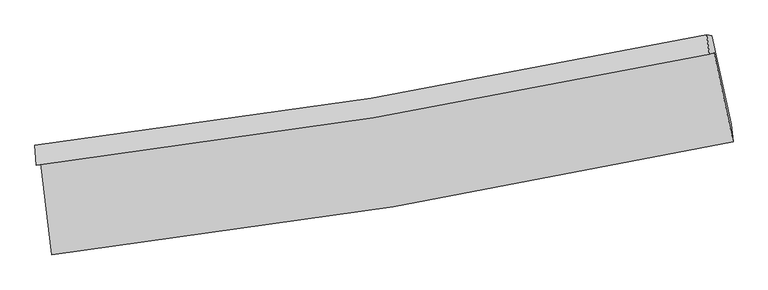
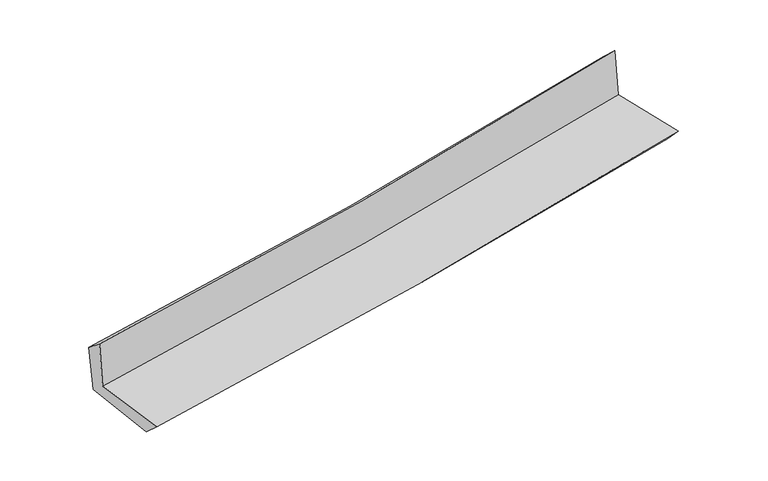
"""IFC4 building model written with IfcOpenShell, lengths in millimetres: proxy geometry."""

from ifc_helpers import new_model, si_unit, frame, origin, place, context, project, spatial, source, transform, mapped, element, save
from ifc_brep_helpers import plane_surface, spline_curve, spline_surface, advanced_brep


def generic_models_cef6bd34(model_context):
    return source(origin(), model_context, "Body", "AdvancedBrep", [
        advanced_brep(
        [(-2467.4841891, -1878.5156631, 1661.5046125), (-2385.1401047, -2539.5905277, 1664.3893781), (2549.4574828, -1723.0672377, 2122.159614), (2411.9034413, -1078.2419415, 2109.1611509), (-2500.8239472, -1891.5284447, 2064.1774532), (2376.9450234, -1086.4567564, 2523.571401), (-2508.8487484, -1746.5305439, 1947.9643759), (2358.5349349, -947.3673651, 2393.704813), (-2474.2791122, -1751.889368, 1557.5617385), (2394.687995, -952.5997818, 1998.454139), (-2392.2091732, -2393.3178606, 1535.3356446), (2534.309876, -1594.418168, 1980.8205531)],
        [
            (0, 1),
            (1, 2, spline_curve(3, [(-2385.1401047, -2539.5905277, 1664.3893781), (-1557.726493356, -2444.080590218, 1745.498837915), (-733.665212317, -2328.468396932, 1824.125721885), (911.229110495, -2056.46462865, 1976.736877075), (1732.033691876, -1899.902392249, 2050.700071365), (2549.4574828, -1723.0672377, 2122.159614)], [4, 2, 4], [0.0, 8.177252459694898, 16.38914273715376])),
            (2, 3),
            (3, 0, spline_curve(3, [(2411.9034413, -1078.2419415, 2109.1611509), (1602.451116489, -1249.937635795, 2041.046005966), (790.244142194, -1402.575713006, 1969.597850254), (-836.241590657, -1669.173188765, 1820.350946292), (-1650.497159861, -1783.293018937, 1742.58025556), (-2467.4841891, -1878.5156631, 1661.5046125)], [4, 2, 4], [0.0, 8.211890277458863, 16.38914273715376])),
            (4, 0),
            (3, 5),
            (5, 4, spline_curve(3, [(2376.9450234, -1086.4567564, 2523.571401), (1568.482026757, -1260.519330977, 2449.234680624), (756.904130382, -1414.73986948, 2373.700055736), (-869.04508196, -1682.930064142, 2220.558655476), (-1683.390175512, -1797.066755321, 2142.9619644), (-2500.8239472, -1891.5284447, 2064.1774532)], [4, 2, 4], [0.0, 8.164518951592482, 16.294599898046005])),
            (6, 4),
            (5, 7),
            (7, 6, spline_curve(3, [(2358.5349349, -947.3673651, 2393.704813), (1551.608215652, -1118.744273776, 2318.460478964), (741.665937362, -1271.130357923, 2243.615613343), (-880.820676208, -1537.358215422, 2095.038830327), (-1693.339625395, -1651.359857416, 2021.303550299), (-2508.8487484, -1746.5305439, 1947.9643759)], [4, 2, 4], [0.0, 8.154497502958023, 16.274599271326228])),
            (8, 6),
            (7, 9),
            (9, 8, spline_curve(3, [(2394.687995, -952.5997818, 1998.454139), (1587.054891155, -1123.936748953, 1929.043154287), (776.627656383, -1276.313483249, 1857.514511738), (-846.384901068, -1542.583733899, 1710.532551336), (-1658.946701958, -1656.636861763, 1635.09706051), (-2474.2791122, -1751.889368, 1557.5617385)], [4, 2, 4], [0.0, 8.145127382621379, 16.255898553894202])),
            (10, 8),
            (9, 11),
            (11, 10, spline_curve(3, [(2534.309876, -1594.418168, 1980.8205531), (1716.978991652, -1762.742572262, 1910.778473709), (896.896825818, -1913.583579988, 1838.5506222), (-745.299351666, -2179.736298361, 1690.037252649), (-1567.390202103, -2295.195188361, 1613.770134378), (-2392.2091732, -2393.3178606, 1535.3356446)], [4, 2, 4], [0.0, 8.192661846964796, 16.350766981836653])),
            (1, 10),
            (11, 2),
        ],
        [
            spline_surface(3, 3, [[(-2467.4841891, -1878.5156631, 1661.5046125), (-1650.497159762, -1783.293019024, 1742.580255572), (-836.241590602, -1669.173188842, 1820.350946181), (790.244142139, -1402.575712929, 1969.597850364), (1602.451116409, -1249.937635926, 2041.046005846), (2411.9034413, -1078.2419415, 2109.1611509)], [(-2440.036160951, -2098.873951305, 1662.466201047), (-1619.573604322, -2003.555542747, 1743.553116354), (-802.049464502, -1888.938258148, 1821.609204792), (830.572464912, -1620.538684867, 1971.977525888), (1645.645308197, -1466.592554688, 2044.264027697), (2457.754788475, -1293.183706928, 2113.493971913)], [(-2412.588132849, -2319.232239495, 1663.427789553), (-1588.650048929, -2223.818066456, 1744.525977095), (-767.857338391, -2108.703327494, 1822.867463408), (870.900787696, -1838.501656844, 1974.357201417), (1688.839499962, -1683.247473367, 2047.482049609), (2503.606135625, -1508.125472272, 2117.826792987)], [(-2385.1401047, -2539.5905277, 1664.3893781), (-1557.726493489, -2444.080590179, 1745.498837877), (-733.665212291, -2328.4683968, 1824.125722018), (911.229110469, -2056.464628782, 1976.736876941), (1732.03369175, -1899.90239213, 2050.70007146), (2549.4574828, -1723.0672377, 2122.159614)]], [4, 4], [4, 2, 4], [0.0, 2.185225527813074], [0.0, 8.177252459694898, 16.38914273715376]),
            spline_surface(3, 3, [[(-2500.8239472, -1891.5284447, 2064.1774532), (-1683.390175523, -1797.066755209, 2142.96196448), (-869.045081857, -1682.930064182, 2220.558655515), (756.904130278, -1414.73986944, 2373.700055697), (1568.482026792, -1260.519331068, 2449.234680554), (2376.9450234, -1086.4567564, 2523.571401)], [(-2489.710694505, -1887.190850822, 1929.953172961), (-1672.425836941, -1792.475509803, 2009.501394838), (-858.110584774, -1678.344439068, 2087.156085744), (768.017467563, -1410.685150602, 2238.999320593), (1579.805056668, -1256.992099353, 2313.171788979), (2388.59782937, -1083.718484765, 2385.434650961)], [(-2478.597441795, -1882.853256978, 1795.728892739), (-1661.461498344, -1787.88426443, 1876.040825214), (-847.176087685, -1673.758813956, 1953.753515952), (779.130804854, -1406.630431766, 2104.298585468), (1591.128086534, -1253.464867641, 2177.108897421), (2400.25063533, -1080.980213135, 2247.297900939)], [(-2467.4841891, -1878.5156631, 1661.5046125), (-1650.497159762, -1783.293019024, 1742.580255572), (-836.241590602, -1669.173188842, 1820.350946181), (790.244142139, -1402.575712929, 1969.597850364), (1602.451116409, -1249.937635926, 2041.046005846), (2411.9034413, -1078.2419415, 2109.1611509)]], [4, 4], [4, 2, 4], [0.0, 1.3245696042785657], [0.0, 8.130080946453523, 16.294599898046005]),
            spline_surface(3, 3, [[(-2508.8487484, -1746.5305439, 1947.9643759), (-1693.339625415, -1651.359857344, 2021.303550324), (-880.820676134, -1537.358215303, 2095.038830379), (741.665937288, -1271.130358043, 2243.615613291), (1551.608215774, -1118.744273838, 2318.460478882), (2358.5349349, -947.3673651, 2393.704813)], [(-2506.173814686, -1794.86317751, 1986.702068338), (-1690.023142137, -1699.928823309, 2061.856355048), (-876.89547802, -1585.882164932, 2136.878772089), (746.745334973, -1319.000195178, 2286.977094091), (1557.232819438, -1166.002626251, 2362.051879438), (2364.671631058, -993.730495537, 2436.993675665)], [(-2503.498880914, -1843.19581109, 2025.439760762), (-1686.706658801, -1748.497789244, 2102.409159757), (-872.970279971, -1634.406114552, 2178.718713805), (751.824732593, -1366.870032304, 2330.338574897), (1562.857423129, -1213.260978655, 2405.643279998), (2370.808327242, -1040.093625963, 2480.282538335)], [(-2500.8239472, -1891.5284447, 2064.1774532), (-1683.390175523, -1797.066755209, 2142.96196448), (-869.045081857, -1682.930064182, 2220.558655515), (756.904130278, -1414.73986944, 2373.700055697), (1568.482026792, -1260.519331068, 2449.234680554), (2376.9450234, -1086.4567564, 2523.571401)]], [4, 4], [4, 2, 4], [0.0, 0.6346855961393197], [0.0, 8.120101768368205, 16.274599271326228]),
            spline_surface(3, 3, [[(-2474.2791122, -1751.889368, 1557.5617385), (-1658.946701982, -1656.636861706, 1635.097060402), (-846.384901024, -1542.583733857, 1710.532551335), (776.627656339, -1276.313483292, 1857.51451174), (1587.054891096, -1123.936749053, 1929.043154336), (2394.687995, -952.5997818, 1998.454139)], [(-2485.802324257, -1750.103093301, 1687.695950952), (-1670.411009783, -1654.877860252, 1763.832557028), (-857.863492729, -1540.841894336, 1838.701311041), (764.973749987, -1274.585774872, 1986.214878948), (1575.239332656, -1122.205923961, 2058.848929212), (2382.636974967, -950.85564288, 2130.204363694)], [(-2497.325536343, -1748.316818599, 1817.830163448), (-1681.875317614, -1653.118858797, 1892.568053699), (-869.342084429, -1539.100054824, 1966.870070674), (753.319843639, -1272.858066462, 2114.915246083), (1563.423774214, -1120.47509893, 2188.654704006), (2370.585954933, -949.11150402, 2261.954588306)], [(-2508.8487484, -1746.5305439, 1947.9643759), (-1693.339625415, -1651.359857344, 2021.303550324), (-880.820676134, -1537.358215303, 2095.038830379), (741.665937288, -1271.130358043, 2243.615613291), (1551.608215774, -1118.744273838, 2318.460478882), (2358.5349349, -947.3673651, 2393.704813)]], [4, 4], [4, 2, 4], [0.0, 1.2693616682265656], [0.0, 8.110771171272823, 16.255898553894202]),
            spline_surface(3, 3, [[(-2392.2091732, -2393.3178606, 1535.3356446), (-1567.390202018, -2295.195188237, 1613.770134419), (-745.299351575, -2179.736298364, 1690.037252524), (896.896825727, -1913.583579985, 1838.550622326), (1716.978991691, -1762.742572321, 1910.778473755), (2534.309876, -1594.418168, 1980.8205531)], [(-2419.565819525, -2179.508363052, 1542.744342552), (-1597.909035331, -2082.342412712, 1620.879109732), (-778.994534723, -1967.352110201, 1696.869018782), (856.807102599, -1701.160214426, 1844.871918785), (1673.670958181, -1549.807297892, 1916.866700604), (2487.769249021, -1380.478705927, 1986.698415055)], [(-2446.922465875, -1965.698865548, 1550.153040548), (-1628.42786867, -1869.489637231, 1627.988085089), (-812.689717875, -1754.96792202, 1703.700785076), (816.717379467, -1488.73684885, 1851.19321528), (1630.362924606, -1336.872023482, 1922.954927488), (2441.228621979, -1166.539243873, 1992.576277045)], [(-2474.2791122, -1751.889368, 1557.5617385), (-1658.946701982, -1656.636861706, 1635.097060402), (-846.384901024, -1542.583733857, 1710.532551335), (776.627656339, -1276.313483292, 1857.51451174), (1587.054891096, -1123.936749053, 1929.043154336), (2394.687995, -952.5997818, 1998.454139)]], [4, 4], [4, 2, 4], [0.0, 2.1228991503955115], [0.0, 8.158105134871857, 16.350766981836653]),
            spline_surface(3, 3, [[(-2385.1401047, -2539.5905277, 1664.3893781), (-1557.726493489, -2444.080590179, 1745.498837877), (-733.665212291, -2328.4683968, 1824.125722018), (911.229110469, -2056.464628782, 1976.736876941), (1732.03369175, -1899.90239213, 2050.70007146), (2549.4574828, -1723.0672377, 2122.159614)], [(-2387.496460876, -2490.832972011, 1621.371466949), (-1560.947729675, -2394.452122876, 1701.589270074), (-737.543258735, -2278.891030662, 1779.429565504), (906.451682206, -2008.837612524, 1930.674792053), (1727.015458373, -1854.18245219, 2004.059538904), (2544.40828051, -1680.184214463, 2075.046593712)], [(-2389.852817024, -2442.075416289, 1578.353555751), (-1564.168965832, -2344.82365554, 1657.679702222), (-741.421305131, -2229.313664501, 1734.733409038), (901.67425399, -1961.210596243, 1884.612707213), (1721.997225068, -1808.462512261, 1957.419006311), (2539.35907829, -1637.301191237, 2027.933573388)], [(-2392.2091732, -2393.3178606, 1535.3356446), (-1567.390202018, -2295.195188237, 1613.770134419), (-745.299351575, -2179.736298364, 1690.037252524), (896.896825727, -1913.583579985, 1838.550622326), (1716.978991691, -1762.742572321, 1910.778473755), (2534.309876, -1594.418168, 1980.8205531)]], [4, 4], [4, 2, 4], [0.0, 0.6558430143746921], [0.0, 8.214577531419467, 16.46395098493425]),
            plane_surface(frame((2437.6397922, -1230.3585417, 2187.9786118), z_axis=(0.973989028735839, 0.2095111694218515, 0.08631594168926938), x_axis=(-0.09108051942523773, 0.013182044208261464, 0.9957562817736679))),
            plane_surface(frame((-2454.7975458, -2033.562068, 1738.4888671), z_axis=(-0.9886221457223994, -0.1235182800078415, -0.08584571911949793), x_axis=(-0.12360454139861583, 0.992322108146373, -0.004330245902478793))),
        ],
        [
            (0, [[1, 2, 3, 4]]),
            (1, [[5, -4, 6, 7]]),
            (2, [[8, -7, 9, 10]]),
            (3, [[11, -10, 12, 13]]),
            (4, [[14, -13, 15, 16]]),
            (5, [[17, -16, 18, -2]]),
            (6, [[-12, -9, -6, -3, -18, -15]]),
            (7, [[-1, -5, -8, -11, -14, -17]]),
        ],
    ),
    ])


if __name__ == "__main__":
    model = new_model("IFC4")
    model_context = context("Model", 3, world=origin())
    ifc_project = project(units=[si_unit("LENGTHUNIT", "METRE", prefix="MILLI")], contexts=[model_context])
    site = spatial("IfcSite", under=ifc_project)
    building = spatial("IfcBuilding", under=site)
    placement = place(None, origin())
    generic_models_shape = generic_models_cef6bd34(model_context)
    element("IfcBuildingElementProxy", 1, Name="Generic Models", at=placement, inside=building, context=model_context, shape_type="MappedRepresentation", body=[
        mapped(generic_models_shape, transform((0.0, 0.0, 0.0), x_axis=(1.0, 0.0, 0.0), y_axis=(0.0, 1.0, 0.0), z_axis=(0.0, 0.0, 1.0))),
    ])
    save(model, "model.ifc")
